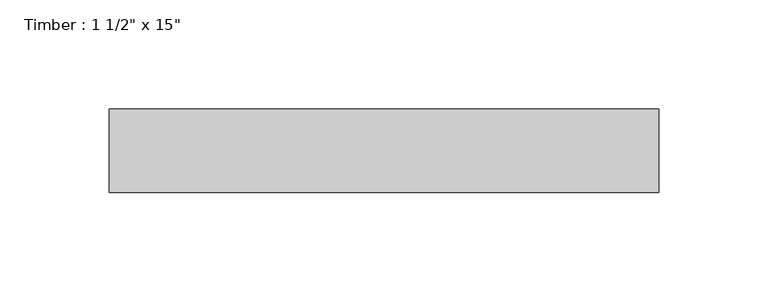
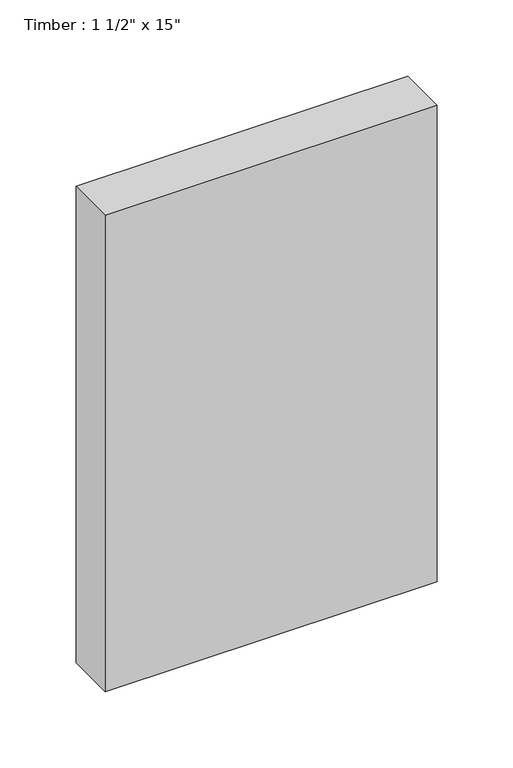
"""IFC4 building model written with IfcOpenShell, lengths in millimetres: beam geometry."""

from ifc_helpers import new_model, si_unit, frame, origin, place, context, project, spatial, polyline, outline, extrude, source, transform, mapped, element, save


def beam_5d5e0af0(model_context):
    return source(origin(), model_context, "Body", "SweptSolid", [
        extrude(outline(polyline([(125.4125, 19.05), (125.4125, -19.05), (-125.4125, -19.05), (-125.4125, 19.05), (125.4125, 19.05)])), frame((0.0, 0.0, -190.5), z_axis=(0.0, 0.0, 1.0), x_axis=(1.0, 0.0, 0.0)), (0.0, 0.0, 1.0), 381.0),
    ])


if __name__ == "__main__":
    model = new_model("IFC4")
    model_context = context("Model", 3, world=origin())
    ifc_project = project(units=[si_unit("LENGTHUNIT", "METRE", prefix="MILLI")], contexts=[model_context])
    site = spatial("IfcSite", under=ifc_project)
    building = spatial("IfcBuilding", under=site)
    placement = place(None, origin())
    beam_shape = beam_5d5e0af0(model_context)
    element("IfcBeam", 1, ObjectType="Timber : 1 1/2\" x 15\"", at=placement, inside=building, context=model_context, shape_type="MappedRepresentation", body=[
        mapped(beam_shape, transform((0.0, 0.0, 0.0), x_axis=(1.0, 0.0, 0.0), y_axis=(0.0, 1.0, 0.0), z_axis=(0.0, 0.0, 1.0))),
    ])
    save(model, "model.ifc")
